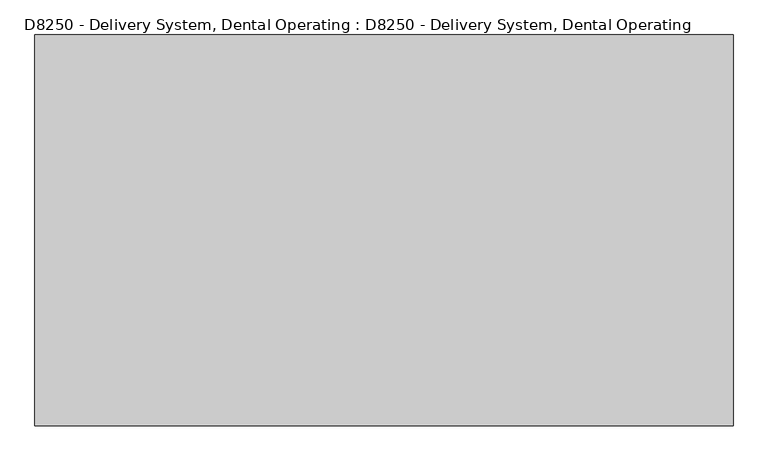
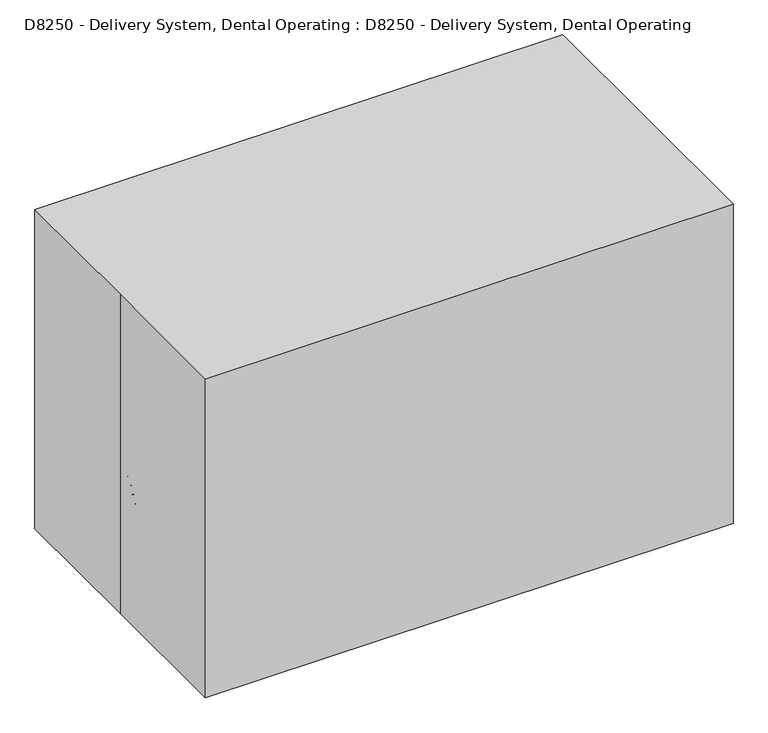
"""IFC4 building model written with IfcOpenShell, lengths in millimetres: proxy geometry, D8250 - Delivery System, Dental Operating : D8250 - Delivery System, Dental Operating."""

from ifc_helpers import new_model, si_unit, point, frame, frame_2d, origin, origin_with_axes, origin_2d, place, context, project, spatial, polyline, circle_curve, ellipse_curve, trimmed, segment, composite_curve, outline, extrude, source, transform, mapped, element, save
from ifc_brep_helpers import plane_surface, cylinder_surface, revolved_surface, advanced_brep


def d8250_delivery_system_dental_operating_d8250_delivery_system_1c770f93(model_context):
    return source(origin(), model_context, "Body", "SolidModel", [
        advanced_brep(
        [(-780.0064409, 220.2236511, 539.2894616), (-782.373413, 214.2897569, 539.2894616), (-780.0064409, 220.2236511, 355.1394616), (-782.373413, 214.2897569, 355.1394616), (-817.7619018, 228.4058774, 355.1394616), (-815.3949297, 234.3397715, 355.1394616), (-815.3949297, 234.3397715, 539.2894616), (-817.7619018, 228.4058774, 539.2894616)],
        [
            (0, 1, circle_curve(frame((-781.1899269, 217.256704, 539.2894616), z_axis=(0.0, 0.0, 1.0), x_axis=(-0.37050184888850074, -0.9288317285548565, 0.0)), 3.1942784)),
            (1, 0, circle_curve(frame((-781.1899269, 217.256704, 539.2894616), z_axis=(0.0, 0.0, 1.0), x_axis=(-0.37050184888850074, -0.9288317285548565, 0.0)), 3.1942784)),
            (0, 2),
            (2, 3, circle_curve(frame((-781.1899269, 217.256704, 355.1394616), z_axis=(0.0, 0.0, 1.0), x_axis=(-0.37050184888850074, -0.9288317285548565, 0.0)), 3.1942784)),
            (3, 1),
            (3, 2, circle_curve(frame((-781.1899269, 217.256704, 355.1394616), z_axis=(0.0, 0.0, 1.0), x_axis=(-0.37050184888850074, -0.9288317285548565, 0.0)), 3.1942784)),
            (4, 3, circle_curve(frame((-800.0676574, 221.3478172, 355.1394616), z_axis=(-0.37050184888850074, -0.9288317285548566, 0.0), x_axis=(0.9288317285548564, -0.3705018488885007, 0.0)), 19.05)),
            (2, 5, circle_curve(frame((-797.7006853, 227.2817113, 355.1394616), z_axis=(0.37050184888850074, 0.9288317285548566, 0.0), x_axis=(0.9288317285548564, -0.3705018488885007, 0.0)), 19.05)),
            (5, 4, circle_curve(frame((-816.5784158, 231.3728245, 355.1394616), z_axis=(0.0, 0.0, -0.9999999999999999), x_axis=(-0.3705018488885006, -0.9288317285548564, 0.0)), 3.1942784)),
            (4, 5, circle_curve(frame((-816.5784158, 231.3728245, 355.1394616), z_axis=(0.0, 0.0, -0.9999999999999999), x_axis=(-0.3705018488885006, -0.9288317285548564, 0.0)), 3.1942784)),
            (6, 7, circle_curve(frame((-816.5784158, 231.3728245, 539.2894616), z_axis=(0.0, 0.0, 1.0), x_axis=(-0.3705018488885008, -0.9288317285548565, 0.0)), 3.1942784)),
            (7, 6, circle_curve(frame((-816.5784158, 231.3728245, 539.2894616), z_axis=(0.0, 0.0, 1.0), x_axis=(-0.3705018488885008, -0.9288317285548565, 0.0)), 3.1942784)),
            (5, 6),
            (7, 4),
        ],
        [
            plane_surface(frame((-781.1899269, 217.256704, 539.2894616), z_axis=(0.0, 0.0, 1.0), x_axis=(-0.37050184888850074, -0.9288317285548565, 0.0))),
            cylinder_surface(frame((-781.1899269, 217.256704, 539.2894616), z_axis=(0.0, 0.0, 1.0), x_axis=(-0.37050184888850074, -0.9288317285548565, 0.0)), 3.1942784),
            revolved_surface(trimmed(ellipse_curve(frame((-781.1899269, 217.256704, 355.1394616), z_axis=(0.0, 0.0, 0.9999999999999999), x_axis=(-0.3705018488885008, -0.9288317285548564, 0.0)), 3.1942784, 3.1942784), [point((-780.0064409, 220.2236511, 355.1394616))], [point((-782.373413, 214.2897569, 355.1394616))], True, "CARTESIAN"), (-798.8841714, 224.3147642, 355.1394616), (0.3705018488885007, 0.9288317285548564, 0.0)),
            revolved_surface(trimmed(ellipse_curve(frame((-781.1899269, 217.256704, 355.1394616), z_axis=(0.0, 0.0, 0.9999999999999999), x_axis=(-0.3705018488885008, -0.9288317285548564, 0.0)), 3.1942784, 3.1942784), [point((-782.373413, 214.2897569, 355.1394616))], [point((-780.0064409, 220.2236511, 355.1394616))], True, "CARTESIAN"), (-798.8841714, 224.3147642, 355.1394616), (0.3705018488885007, 0.9288317285548564, 0.0)),
            plane_surface(frame((-816.5784158, 231.3728245, 539.2894616), z_axis=(0.0, 0.0, 1.0000000000000002), x_axis=(-0.3705018488885008, -0.9288317285548565, 0.0))),
            cylinder_surface(frame((-816.5784158, 231.3728245, 355.1394616), z_axis=(0.0, 0.0, -1.0000000000000002), x_axis=(-0.3705018488885008, -0.9288317285548565, 0.0)), 3.1942784),
        ],
        [
            (0, [[1, 2]]),
            (1, [[-1, 3, 4, 5]]),
            (1, [[-2, -5, 6, -3]]),
            (2, [[7, -4, 8, 9]]),
            (3, [[-8, -6, -7, 10]]),
            (4, [[11, 12]]),
            (5, [[-9, 13, -12, 14]]),
            (5, [[-10, -14, -11, -13]]),
        ],
    ),
        advanced_brep(
        [(-798.8279348, 173.0389993, 539.2894616), (-801.1949069, 167.1051051, 539.2894616), (-798.8279348, 173.0389993, 355.1394616), (-801.1949069, 167.1051051, 355.1394616), (-836.5833957, 181.2212256, 355.1394616), (-834.2164237, 187.1551197, 355.1394616), (-834.2164237, 187.1551197, 539.2894616), (-836.5833957, 181.2212256, 539.2894616)],
        [
            (0, 1, circle_curve(frame((-800.0114208, 170.0720522, 539.2894616), z_axis=(0.0, 0.0, 1.0), x_axis=(-0.37050184888850074, -0.9288317285548565, 0.0)), 3.1942784)),
            (1, 0, circle_curve(frame((-800.0114208, 170.0720522, 539.2894616), z_axis=(0.0, 0.0, 1.0), x_axis=(-0.37050184888850074, -0.9288317285548565, 0.0)), 3.1942784)),
            (0, 2),
            (2, 3, circle_curve(frame((-800.0114208, 170.0720522, 355.1394616), z_axis=(0.0, 0.0, 1.0), x_axis=(-0.37050184888850074, -0.9288317285548565, 0.0)), 3.1942784)),
            (3, 1),
            (3, 2, circle_curve(frame((-800.0114208, 170.0720522, 355.1394616), z_axis=(0.0, 0.0, 1.0), x_axis=(-0.37050184888850074, -0.9288317285548565, 0.0)), 3.1942784)),
            (4, 3, circle_curve(frame((-818.8891513, 174.1631653, 355.1394616), z_axis=(-0.37050184888850074, -0.9288317285548566, 0.0), x_axis=(0.9288317285548564, -0.3705018488885007, 0.0)), 19.05)),
            (2, 5, circle_curve(frame((-816.5221792, 180.0970595, 355.1394616), z_axis=(0.37050184888850074, 0.9288317285548566, 0.0), x_axis=(0.9288317285548564, -0.3705018488885007, 0.0)), 19.05)),
            (5, 4, circle_curve(frame((-835.3999097, 184.1881727, 355.1394616), z_axis=(0.0, 0.0, -0.9999999999999999), x_axis=(-0.3705018488885006, -0.9288317285548564, 0.0)), 3.1942784)),
            (4, 5, circle_curve(frame((-835.3999097, 184.1881727, 355.1394616), z_axis=(0.0, 0.0, -0.9999999999999999), x_axis=(-0.3705018488885006, -0.9288317285548564, 0.0)), 3.1942784)),
            (6, 7, circle_curve(frame((-835.3999097, 184.1881727, 539.2894616), z_axis=(0.0, 0.0, 1.0), x_axis=(-0.3705018488885008, -0.9288317285548565, 0.0)), 3.1942784)),
            (7, 6, circle_curve(frame((-835.3999097, 184.1881727, 539.2894616), z_axis=(0.0, 0.0, 1.0), x_axis=(-0.3705018488885008, -0.9288317285548565, 0.0)), 3.1942784)),
            (5, 6),
            (7, 4),
        ],
        [
            plane_surface(frame((-800.0114208, 170.0720522, 539.2894616), z_axis=(0.0, 0.0, 1.0), x_axis=(-0.37050184888850074, -0.9288317285548565, 0.0))),
            cylinder_surface(frame((-800.0114208, 170.0720522, 539.2894616), z_axis=(0.0, 0.0, 1.0), x_axis=(-0.37050184888850074, -0.9288317285548565, 0.0)), 3.1942784),
            revolved_surface(trimmed(ellipse_curve(frame((-800.0114208, 170.0720522, 355.1394616), z_axis=(0.0, 0.0, 0.9999999999999999), x_axis=(-0.3705018488885008, -0.9288317285548564, 0.0)), 3.1942784, 3.1942784), [point((-798.8279348, 173.0389993, 355.1394616))], [point((-801.1949069, 167.1051051, 355.1394616))], True, "CARTESIAN"), (-817.7056653, 177.1301124, 355.1394616), (0.3705018488885007, 0.9288317285548564, 0.0)),
            revolved_surface(trimmed(ellipse_curve(frame((-800.0114208, 170.0720522, 355.1394616), z_axis=(0.0, 0.0, 0.9999999999999999), x_axis=(-0.3705018488885008, -0.9288317285548564, 0.0)), 3.1942784, 3.1942784), [point((-801.1949069, 167.1051051, 355.1394616))], [point((-798.8279348, 173.0389993, 355.1394616))], True, "CARTESIAN"), (-817.7056653, 177.1301124, 355.1394616), (0.3705018488885007, 0.9288317285548564, 0.0)),
            plane_surface(frame((-835.3999097, 184.1881727, 539.2894616), z_axis=(0.0, 0.0, 1.0000000000000002), x_axis=(-0.3705018488885008, -0.9288317285548565, 0.0))),
            cylinder_surface(frame((-835.3999097, 184.1881727, 355.1394616), z_axis=(0.0, 0.0, -1.0000000000000002), x_axis=(-0.3705018488885008, -0.9288317285548565, 0.0)), 3.1942784),
        ],
        [
            (0, [[1, 2]]),
            (1, [[-1, 3, 4, 5]]),
            (1, [[-2, -5, 6, -3]]),
            (2, [[7, -4, 8, 9]]),
            (3, [[-8, -6, -7, 10]]),
            (4, [[11, 12]]),
            (5, [[-9, 13, -12, 14]]),
            (5, [[-10, -14, -11, -13]]),
        ],
    ),
        advanced_brep(
        [(-817.6494287, 125.8543475, 539.2894616), (-820.0164008, 119.9204533, 539.2894616), (-817.6494287, 125.8543475, 355.1394616), (-820.0164008, 119.9204533, 355.1394616), (-855.4048897, 134.0365738, 355.1394616), (-853.0379176, 139.9704679, 355.1394616), (-853.0379176, 139.9704679, 539.2894616), (-855.4048897, 134.0365738, 539.2894616)],
        [
            (0, 1, circle_curve(frame((-818.8329148, 122.8874004, 539.2894616), z_axis=(0.0, 0.0, 1.0), x_axis=(-0.37050184888850074, -0.9288317285548565, 0.0)), 3.1942784)),
            (1, 0, circle_curve(frame((-818.8329148, 122.8874004, 539.2894616), z_axis=(0.0, 0.0, 1.0), x_axis=(-0.37050184888850074, -0.9288317285548565, 0.0)), 3.1942784)),
            (0, 2),
            (2, 3, circle_curve(frame((-818.8329148, 122.8874004, 355.1394616), z_axis=(0.0, 0.0, 1.0), x_axis=(-0.37050184888850074, -0.9288317285548565, 0.0)), 3.1942784)),
            (3, 1),
            (3, 2, circle_curve(frame((-818.8329148, 122.8874004, 355.1394616), z_axis=(0.0, 0.0, 1.0), x_axis=(-0.37050184888850074, -0.9288317285548565, 0.0)), 3.1942784)),
            (4, 3, circle_curve(frame((-837.7106452, 126.9785135, 355.1394616), z_axis=(-0.37050184888850074, -0.9288317285548566, 0.0), x_axis=(0.9288317285548564, -0.3705018488885007, 0.0)), 19.05)),
            (2, 5, circle_curve(frame((-835.3436732, 132.9124077, 355.1394616), z_axis=(0.37050184888850074, 0.9288317285548566, 0.0), x_axis=(0.9288317285548564, -0.3705018488885007, 0.0)), 19.05)),
            (5, 4, circle_curve(frame((-854.2214036, 137.0035208, 355.1394616), z_axis=(0.0, 0.0, -0.9999999999999999), x_axis=(-0.3705018488885006, -0.9288317285548564, 0.0)), 3.1942784)),
            (4, 5, circle_curve(frame((-854.2214036, 137.0035208, 355.1394616), z_axis=(0.0, 0.0, -0.9999999999999999), x_axis=(-0.3705018488885006, -0.9288317285548564, 0.0)), 3.1942784)),
            (6, 7, circle_curve(frame((-854.2214036, 137.0035208, 539.2894616), z_axis=(0.0, 0.0, 1.0), x_axis=(-0.3705018488885008, -0.9288317285548565, 0.0)), 3.1942784)),
            (7, 6, circle_curve(frame((-854.2214036, 137.0035208, 539.2894616), z_axis=(0.0, 0.0, 1.0), x_axis=(-0.3705018488885008, -0.9288317285548565, 0.0)), 3.1942784)),
            (5, 6),
            (7, 4),
        ],
        [
            plane_surface(frame((-818.8329148, 122.8874004, 539.2894616), z_axis=(0.0, 0.0, 1.0), x_axis=(-0.37050184888850074, -0.9288317285548565, 0.0))),
            cylinder_surface(frame((-818.8329148, 122.8874004, 539.2894616), z_axis=(0.0, 0.0, 1.0), x_axis=(-0.37050184888850074, -0.9288317285548565, 0.0)), 3.1942784),
            revolved_surface(trimmed(ellipse_curve(frame((-818.8329148, 122.8874004, 355.1394616), z_axis=(0.0, 0.0, 0.9999999999999999), x_axis=(-0.3705018488885008, -0.9288317285548564, 0.0)), 3.1942784, 3.1942784), [point((-817.6494287, 125.8543475, 355.1394616))], [point((-820.0164008, 119.9204533, 355.1394616))], True, "CARTESIAN"), (-836.5271592, 129.9454606, 355.1394616), (0.3705018488885007, 0.9288317285548564, 0.0)),
            revolved_surface(trimmed(ellipse_curve(frame((-818.8329148, 122.8874004, 355.1394616), z_axis=(0.0, 0.0, 0.9999999999999999), x_axis=(-0.3705018488885008, -0.9288317285548564, 0.0)), 3.1942784, 3.1942784), [point((-820.0164008, 119.9204533, 355.1394616))], [point((-817.6494287, 125.8543475, 355.1394616))], True, "CARTESIAN"), (-836.5271592, 129.9454606, 355.1394616), (0.3705018488885007, 0.9288317285548564, 0.0)),
            plane_surface(frame((-854.2214036, 137.0035208, 539.2894616), z_axis=(0.0, 0.0, 1.0000000000000002), x_axis=(-0.3705018488885008, -0.9288317285548565, 0.0))),
            cylinder_surface(frame((-854.2214036, 137.0035208, 355.1394616), z_axis=(0.0, 0.0, -1.0000000000000002), x_axis=(-0.3705018488885008, -0.9288317285548565, 0.0)), 3.1942784),
        ],
        [
            (0, [[1, 2]]),
            (1, [[-1, 3, 4, 5]]),
            (1, [[-2, -5, 6, -3]]),
            (2, [[7, -4, 8, 9]]),
            (3, [[-8, -6, -7, 10]]),
            (4, [[11, 12]]),
            (5, [[-9, 13, -12, 14]]),
            (5, [[-10, -14, -11, -13]]),
        ],
    ),
        advanced_brep(
        [(-836.4709227, 78.6696957, 539.2894616), (-838.8378947, 72.7358015, 539.2894616), (-836.4709227, 78.6696957, 355.1394616), (-838.8378947, 72.7358015, 355.1394616), (-874.2263836, 86.8519219, 355.1394616), (-871.8594115, 92.7858161, 355.1394616), (-871.8594115, 92.7858161, 539.2894616), (-874.2263836, 86.8519219, 539.2894616)],
        [
            (0, 1, circle_curve(frame((-837.6544087, 75.7027486, 539.2894616), z_axis=(0.0, 0.0, 1.0), x_axis=(-0.37050184888850074, -0.9288317285548565, 0.0)), 3.1942784)),
            (1, 0, circle_curve(frame((-837.6544087, 75.7027486, 539.2894616), z_axis=(0.0, 0.0, 1.0), x_axis=(-0.37050184888850074, -0.9288317285548565, 0.0)), 3.1942784)),
            (0, 2),
            (2, 3, circle_curve(frame((-837.6544087, 75.7027486, 355.1394616), z_axis=(0.0, 0.0, 1.0), x_axis=(-0.37050184888850074, -0.9288317285548565, 0.0)), 3.1942784)),
            (3, 1),
            (3, 2, circle_curve(frame((-837.6544087, 75.7027486, 355.1394616), z_axis=(0.0, 0.0, 1.0), x_axis=(-0.37050184888850074, -0.9288317285548565, 0.0)), 3.1942784)),
            (4, 3, circle_curve(frame((-856.5321392, 79.7938617, 355.1394616), z_axis=(-0.37050184888850074, -0.9288317285548566, 0.0), x_axis=(0.9288317285548564, -0.3705018488885007, 0.0)), 19.05)),
            (2, 5, circle_curve(frame((-854.1651671, 85.7277559, 355.1394616), z_axis=(0.37050184888850074, 0.9288317285548566, 0.0), x_axis=(0.9288317285548564, -0.3705018488885007, 0.0)), 19.05)),
            (5, 4, circle_curve(frame((-873.0428976, 89.818869, 355.1394616), z_axis=(0.0, 0.0, -0.9999999999999999), x_axis=(-0.3705018488885006, -0.9288317285548564, 0.0)), 3.1942784)),
            (4, 5, circle_curve(frame((-873.0428976, 89.818869, 355.1394616), z_axis=(0.0, 0.0, -0.9999999999999999), x_axis=(-0.3705018488885006, -0.9288317285548564, 0.0)), 3.1942784)),
            (6, 7, circle_curve(frame((-873.0428976, 89.818869, 539.2894616), z_axis=(0.0, 0.0, 1.0), x_axis=(-0.3705018488885008, -0.9288317285548565, 0.0)), 3.1942784)),
            (7, 6, circle_curve(frame((-873.0428976, 89.818869, 539.2894616), z_axis=(0.0, 0.0, 1.0), x_axis=(-0.3705018488885008, -0.9288317285548565, 0.0)), 3.1942784)),
            (5, 6),
            (7, 4),
        ],
        [
            plane_surface(frame((-837.6544087, 75.7027486, 539.2894616), z_axis=(0.0, 0.0, 1.0), x_axis=(-0.37050184888850074, -0.9288317285548565, 0.0))),
            cylinder_surface(frame((-837.6544087, 75.7027486, 539.2894616), z_axis=(0.0, 0.0, 1.0), x_axis=(-0.37050184888850074, -0.9288317285548565, 0.0)), 3.1942784),
            revolved_surface(trimmed(ellipse_curve(frame((-837.6544087, 75.7027486, 355.1394616), z_axis=(0.0, 0.0, 0.9999999999999999), x_axis=(-0.3705018488885008, -0.9288317285548564, 0.0)), 3.1942784, 3.1942784), [point((-836.4709227, 78.6696957, 355.1394616))], [point((-838.8378947, 72.7358015, 355.1394616))], True, "CARTESIAN"), (-855.3486531, 82.7608088, 355.1394616), (0.3705018488885007, 0.9288317285548564, 0.0)),
            revolved_surface(trimmed(ellipse_curve(frame((-837.6544087, 75.7027486, 355.1394616), z_axis=(0.0, 0.0, 0.9999999999999999), x_axis=(-0.3705018488885008, -0.9288317285548564, 0.0)), 3.1942784, 3.1942784), [point((-838.8378947, 72.7358015, 355.1394616))], [point((-836.4709227, 78.6696957, 355.1394616))], True, "CARTESIAN"), (-855.3486531, 82.7608088, 355.1394616), (0.3705018488885007, 0.9288317285548564, 0.0)),
            plane_surface(frame((-873.0428976, 89.818869, 539.2894616), z_axis=(0.0, 0.0, 1.0000000000000002), x_axis=(-0.3705018488885008, -0.9288317285548565, 0.0))),
            cylinder_surface(frame((-873.0428976, 89.818869, 355.1394616), z_axis=(0.0, 0.0, -1.0000000000000002), x_axis=(-0.3705018488885008, -0.9288317285548565, 0.0)), 3.1942784),
        ],
        [
            (0, [[1, 2]]),
            (1, [[-1, 3, 4, 5]]),
            (1, [[-2, -5, 6, -3]]),
            (2, [[7, -4, 8, 9]]),
            (3, [[-8, -6, -7, 10]]),
            (4, [[11, 12]]),
            (5, [[-9, 13, -12, 14]]),
            (5, [[-10, -14, -11, -13]]),
        ],
    ),
        extrude(outline(polyline([(-254.0, 0.0), (3.0815368, 0.0), (113.6617928, -110.5802562), (164.4617928, -110.5802562), (164.4617928, -148.6802562), (97.8802561, -148.6802562), (86.7210245, -137.5210245), (50.8, -101.6), (-254.0, -101.6), (-254.0, 0.0)])), frame((-759.5297908, -42.7986974, 687.9697178), z_axis=(0.37050184888850074, 0.9288317285548565, 0.0), x_axis=(-0.9288317285548565, 0.37050184888850074, 0.0)), (0.0, 0.0, 1.0), 304.8),
        extrude(outline(composite_curve([segment(trimmed(circle_curve(origin_2d(), 50.8), [point((25.4, 43.9940905))], [point((50.8, 0.0))], False, "CARTESIAN"), True, "CONTINUOUS"), segment(polyline([(50.8, 0.0), (57.3740038, -24.534516)]), True, "CONTINUOUS"), segment(trimmed(circle_curve(frame_2d((526.8706056, 101.2667193)), 486.0586487), [point((57.3740038, -24.534516))], [point((622.7231767, -375.2469683))], True, "CARTESIAN"), True, "CONTINUOUS"), segment(polyline([(622.7231767, -375.2469683), (676.0016661, -360.9710401)]), True, "CONTINUOUS"), segment(trimmed(circle_curve(frame_2d((689.1496736, -410.0400721)), 50.8), [point((676.0016661, -360.9710401))], [point((714.5496736, -366.0459816))], False, "CARTESIAN"), True, "CONTINUOUS"), segment(polyline([(714.5496736, -366.0459816), (828.3089962, -431.7249571), (821.9589962, -442.7234798), (708.1996736, -377.0445042)]), True, "CONTINUOUS"), segment(trimmed(circle_curve(frame_2d((689.1496736, -410.0400721)), 38.1), [point((708.1996736, -377.0445042))], [point((679.288668, -373.2382981))], True, "CARTESIAN"), True, "CONTINUOUS"), segment(polyline([(679.288668, -373.2382981), (625.62433, -387.6176142)]), True, "CONTINUOUS"), segment(trimmed(circle_curve(frame_2d((526.8706056, 101.2667193)), 498.7586487), [point((625.62433, -387.6176142))], [point((45.1067458, -27.8215178))], False, "CARTESIAN"), True, "CONTINUOUS"), segment(polyline([(45.1067458, -27.8215178), (38.068307, -1.5537067)]), True, "CONTINUOUS"), segment(trimmed(circle_curve(origin_2d(), 38.1), [point((38.068307, -1.5537067))], [point((19.05, 32.9955679))], True, "CARTESIAN"), True, "CONTINUOUS"), segment(polyline([(19.05, 32.9955679), (-288.9086336, 210.7955679), (-282.5586336, 221.7940905), (25.4, 43.9940905)]), True, "CONTINUOUS")], self_intersect=False)), frame((-348.2212439, 13.9204168, 624.4697178), z_axis=(0.13479162808874715, 0.9908739662526131, 0.0), x_axis=(0.8581220267234072, -0.1167329741423191, -0.5000000000000009)), (0.0, 0.0, 1.0), 50.8),
        extrude(outline(composite_curve([segment(trimmed(circle_curve(frame_2d((553.7380505, -83.1155028)), 38.1), [point((516.614551, -74.5448676))], [point((590.86155, -91.6861379))], False, "CARTESIAN"), True, "CONTINUOUS"), segment(trimmed(circle_curve(frame_2d((553.7380505, -83.1155028)), 38.1), [point((590.86155, -91.6861379))], [point((516.614551, -74.5448676))], False, "CARTESIAN"), True, "CONTINUOUS")], self_intersect=False)), frame((0.0, 0.0, 558.8), z_axis=(0.0, 0.0, 1.0), x_axis=(1.0, 0.0, 0.0)), (0.0, 0.0, 1.0), 25.4),
        advanced_brep(
        [(736.2570004, 418.3280204, 101.6), (718.8823771, 370.5916353, 101.6), (736.2570004, 418.3280204, 152.4), (718.8823771, 370.5916353, 152.4), (710.1950655, 346.7234427, 177.8), (710.1950655, 346.7234427, 228.6), (571.1980792, -35.1676384, 228.6), (571.1980792, -35.1676384, 177.8), (562.5107676, -59.0358309, 558.8), (545.1361443, -106.7722161, 558.8), (545.1361443, -106.7722161, 254.0), (562.5107676, -59.0358309, 254.0)],
        [
            (0, 1, circle_curve(frame((727.5696887, 394.4598279, 101.6), z_axis=(0.0, 0.0, -1.0), x_axis=(-0.3420201433256683, -0.9396926207859085, 0.0)), 25.4)),
            (1, 0, circle_curve(frame((727.5696887, 394.4598279, 101.6), z_axis=(0.0, 0.0, -1.0), x_axis=(-0.3420201433256683, -0.9396926207859085, 0.0)), 25.4)),
            (0, 2),
            (2, 3, circle_curve(frame((727.5696887, 394.4598279, 152.4), z_axis=(0.0, 0.0, -1.0), x_axis=(-0.3420201433256683, -0.9396926207859085, 0.0)), 25.4)),
            (3, 1),
            (3, 2, circle_curve(frame((727.5696887, 394.4598279, 152.4), z_axis=(0.0, 0.0, -1.0), x_axis=(-0.3420201433256683, -0.9396926207859085, 0.0)), 25.4)),
            (4, 3, circle_curve(frame((710.1950655, 346.7234427, 152.4), z_axis=(-0.9396926207859085, 0.3420201433256683, 0.0), x_axis=(0.3420201433256683, 0.9396926207859085, 0.0)), 25.4)),
            (2, 5, circle_curve(frame((710.1950655, 346.7234427, 152.4), z_axis=(0.9396926207859085, -0.3420201433256683, 0.0), x_axis=(0.3420201433256683, 0.9396926207859085, 0.0)), 76.2)),
            (5, 4, circle_curve(frame((710.1950655, 346.7234427, 203.2), z_axis=(0.3420201433256683, 0.9396926207859085, 0.0), x_axis=(0.0, 0.0, -1.0)), 25.4)),
            (4, 5, circle_curve(frame((710.1950655, 346.7234427, 203.2), z_axis=(0.3420201433256683, 0.9396926207859085, 0.0), x_axis=(0.0, 0.0, -1.0)), 25.4)),
            (5, 6),
            (6, 7, circle_curve(frame((571.1980792, -35.1676384, 203.2), z_axis=(0.34202014332566844, 0.9396926207859085, 0.0), x_axis=(0.0, 0.0, -1.0)), 25.4)),
            (7, 4),
            (7, 6, circle_curve(frame((571.1980792, -35.1676384, 203.2), z_axis=(0.34202014332566844, 0.9396926207859085, 0.0), x_axis=(0.0, 0.0, -1.0)), 25.4)),
            (8, 9, circle_curve(frame((553.8234559, -82.9040235, 558.8), z_axis=(0.0, 0.0, 1.0), x_axis=(-0.34202014332566827, -0.9396926207859086, 0.0)), 25.4)),
            (9, 8, circle_curve(frame((553.8234559, -82.9040235, 558.8), z_axis=(0.0, 0.0, 1.0), x_axis=(-0.34202014332566827, -0.9396926207859086, 0.0)), 25.4)),
            (10, 7, circle_curve(frame((571.1980792, -35.1676384, 254.0), z_axis=(0.9396926207859085, -0.3420201433256683, 0.0), x_axis=(0.0, 0.0, -1.0)), 76.2)),
            (6, 11, circle_curve(frame((571.1980792, -35.1676384, 254.0), z_axis=(-0.9396926207859085, 0.3420201433256683, 0.0), x_axis=(0.0, 0.0, -1.0)), 25.4)),
            (11, 10, circle_curve(frame((553.8234559, -82.9040235, 254.0), z_axis=(0.0, 0.0, -1.0), x_axis=(-0.3420201433256682, -0.9396926207859085, 0.0)), 25.4)),
            (10, 11, circle_curve(frame((553.8234559, -82.9040235, 254.0), z_axis=(0.0, 0.0, -1.0), x_axis=(-0.3420201433256682, -0.9396926207859085, 0.0)), 25.4)),
            (11, 8),
            (9, 10),
        ],
        [
            plane_surface(frame((43.9944297, 643.260875, 101.6), z_axis=(0.0, 0.0, -1.0), x_axis=(0.9396926207859085, -0.3420201433256683, 0.0))),
            cylinder_surface(frame((727.5696887, 394.4598279, 101.6), z_axis=(0.0, 0.0, -1.0), x_axis=(-0.3420201433256683, -0.9396926207859085, 0.0)), 25.4),
            revolved_surface(trimmed(ellipse_curve(frame((727.5696887, 394.4598279, 152.4), z_axis=(0.0, 0.0, -1.0), x_axis=(-0.3420201433256683, -0.9396926207859085, 0.0)), 25.4, 25.4), [point((736.2570004, 418.3280204, 152.4))], [point((718.8823771, 370.5916353, 152.4))], True, "CARTESIAN"), (26.6198064, 595.5244899, 152.4), (0.9396926207859085, -0.3420201433256683, 0.0)),
            revolved_surface(trimmed(ellipse_curve(frame((727.5696887, 394.4598279, 152.4), z_axis=(0.0, 0.0, -1.0), x_axis=(-0.3420201433256683, -0.9396926207859085, 0.0)), 25.4, 25.4), [point((718.8823771, 370.5916353, 152.4))], [point((736.2570004, 418.3280204, 152.4))], True, "CARTESIAN"), (26.6198064, 595.5244899, 152.4), (0.9396926207859085, -0.3420201433256683, 0.0)),
            cylinder_surface(frame((710.1950655, 346.7234427, 203.2), z_axis=(0.34202014332566844, 0.9396926207859085, 0.0), x_axis=(0.0, 0.0, -1.0)), 25.4),
            plane_surface(frame((-129.7518031, 165.8970237, 558.8), z_axis=(0.0, 0.0, 1.0), x_axis=(0.9396926207859085, -0.3420201433256684, 0.0))),
            revolved_surface(trimmed(ellipse_curve(frame((571.1980792, -35.1676384, 203.2), z_axis=(0.34202014332566844, 0.9396926207859085, 0.0), x_axis=(0.0, 0.0, -1.0)), 25.4, 25.4), [point((571.1980792, -35.1676384, 228.6))], [point((571.1980792, -35.1676384, 177.8))], True, "CARTESIAN"), (-112.3771798, 213.6334088, 254.0), (-0.9396926207859085, 0.3420201433256683, 0.0)),
            revolved_surface(trimmed(ellipse_curve(frame((571.1980792, -35.1676384, 203.2), z_axis=(0.34202014332566844, 0.9396926207859085, 0.0), x_axis=(0.0, 0.0, -1.0)), 25.4, 25.4), [point((571.1980792, -35.1676384, 177.8))], [point((571.1980792, -35.1676384, 228.6))], True, "CARTESIAN"), (-112.3771798, 213.6334088, 254.0), (-0.9396926207859085, 0.3420201433256683, 0.0)),
            cylinder_surface(frame((553.8234559, -82.9040235, 254.0), z_axis=(0.0, 0.0, -1.0), x_axis=(-0.34202014332566827, -0.9396926207859086, 0.0)), 25.4),
        ],
        [
            (0, [[1, 2]]),
            (1, [[-1, 3, 4, 5]]),
            (1, [[-2, -5, 6, -3]]),
            (2, [[7, -4, 8, 9]]),
            (3, [[-8, -6, -7, 10]]),
            (4, [[-9, 11, 12, 13]]),
            (4, [[-10, -13, 14, -11]]),
            (5, [[15, 16]]),
            (6, [[17, -12, 18, 19]]),
            (7, [[-18, -14, -17, 20]]),
            (8, [[-19, 21, -16, 22]]),
            (8, [[-20, -22, -15, -21]]),
        ],
    ),
        extrude(outline(polyline([(778.2455965, 445.9274125), (778.2455965, 344.3274125), (676.6455965, 344.3274125), (676.6455965, 445.9274125), (778.2455965, 445.9274125)])), origin_with_axes(), (0.0, 0.0, 1.0), 101.6),
        extrude(outline(polyline([(-952.5, 533.4), (952.5, 533.4), (952.5, -533.4), (-952.5, -533.4), (-952.5, 0.0), (-952.5, 533.4)])), origin_with_axes(), (0.0, 0.0, 1.0), 1219.2),
    ])


if __name__ == "__main__":
    model = new_model("IFC4")
    model_context = context("Model", 3, world=origin())
    ifc_project = project(units=[si_unit("LENGTHUNIT", "METRE", prefix="MILLI")], contexts=[model_context])
    site = spatial("IfcSite", under=ifc_project)
    building = spatial("IfcBuilding", under=site)
    placement = place(None, origin())
    d8250_delivery_system_dental_operating_d8250_delivery_system_shape = d8250_delivery_system_dental_operating_d8250_delivery_system_1c770f93(model_context)
    element("IfcBuildingElementProxy", 1, Name="D8250 - Delivery System, Dental Operating : D8250 - Delivery System, Dental Operating", ObjectType="D8250 - Delivery System, Dental Operating : D8250 - Delivery System, Dental Operating", at=placement, inside=building, context=model_context, shape_type="MappedRepresentation", body=[
        mapped(d8250_delivery_system_dental_operating_d8250_delivery_system_shape, transform((0.0, 0.0, 0.0), x_axis=(1.0, 0.0, 0.0), y_axis=(0.0, 1.0, 0.0), z_axis=(0.0, 0.0, 1.0))),
    ])
    save(model, "model.ifc")
